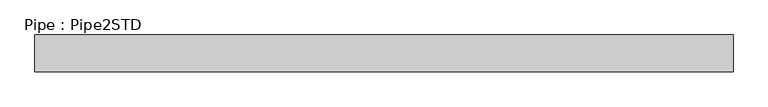
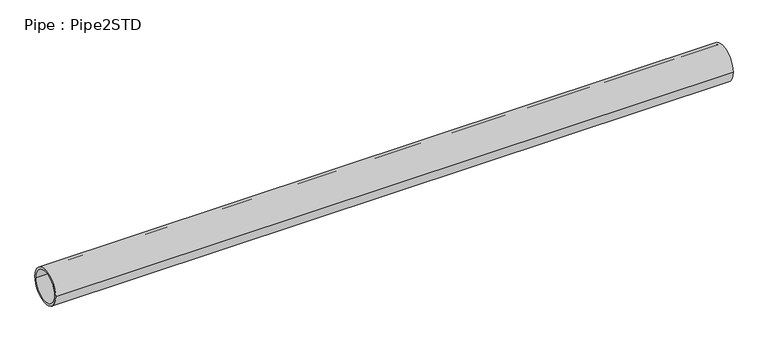
"""IFC4 building model written with IfcOpenShell, lengths in millimetres: member geometry, Pipe : Pipe2STD."""

from ifc_helpers import new_model, si_unit, point, frame, origin, origin_2d, place, context, project, spatial, circle_curve, trimmed, segment, composite_curve, outline, extrude, source, transform, mapped, element, save


def pipe_pipe2std_2389ea07(model_context):
    return source(origin(), model_context, "Body", "SweptSolid", [
        extrude(outline(composite_curve([segment(trimmed(circle_curve(origin_2d(), 30.1625), [point((-30.1625, 0.0))], [point((30.1625, 0.0))], False, "CARTESIAN"), True, "CONTINUOUS"), segment(trimmed(circle_curve(origin_2d(), 30.1625), [point((30.1625, 0.0))], [point((-30.1625, 0.0))], False, "CARTESIAN"), True, "CONTINUOUS")], self_intersect=False), holes=[composite_curve([segment(trimmed(circle_curve(origin_2d(), 26.2509), [point((26.2509, 0.0))], [point((-26.2509, 0.0))], True, "CARTESIAN"), True, "CONTINUOUS"), segment(trimmed(circle_curve(origin_2d(), 26.2509), [point((-26.2509, 0.0))], [point((26.2509, 0.0))], True, "CARTESIAN"), True, "CONTINUOUS")], self_intersect=False)]), frame((-504.1796146, 0.0, 0.0), z_axis=(1.0, 0.0, 0.0), x_axis=(0.0, 1.0, 0.0)), (0.0, 0.0, 1.0), 1140.4009893),
    ])


if __name__ == "__main__":
    model = new_model("IFC4")
    model_context = context("Model", 3, world=origin())
    ifc_project = project(units=[si_unit("LENGTHUNIT", "METRE", prefix="MILLI")], contexts=[model_context])
    site = spatial("IfcSite", under=ifc_project)
    building = spatial("IfcBuilding", under=site)
    placement = place(None, origin())
    pipe_pipe2std_shape = pipe_pipe2std_2389ea07(model_context)
    element("IfcMember", 1, ObjectType="Pipe : Pipe2STD", at=placement, inside=building, context=model_context, shape_type="MappedRepresentation", body=[
        mapped(pipe_pipe2std_shape, transform((0.0, 0.0, 0.0), x_axis=(1.0, 0.0, 0.0), y_axis=(0.0, 1.0, 0.0), z_axis=(0.0, 0.0, 1.0))),
    ])
    save(model, "model.ifc")
